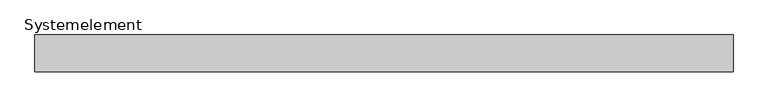
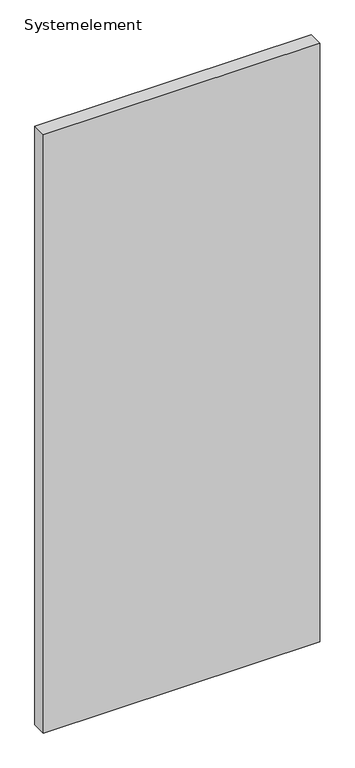
"""IFC4 building model written with IfcOpenShell, lengths in millimetres: plate geometry, Systemelement."""

from ifc_helpers import new_model, si_unit, origin, origin_with_axes, place, context, project, spatial, polyline, outline, extrude, source, transform, mapped, element, save


def systemelement_122b43b9(model_context):
    return source(origin(), model_context, "Body", "SweptSolid", [
        extrude(outline(polyline([(627.0, 0.0), (-627.0, 0.0), (-627.0, 66.0), (627.0, 66.0), (627.0, 0.0)])), origin_with_axes(), (0.0, 0.0, 1.0), 2870.0),
    ])


if __name__ == "__main__":
    model = new_model("IFC4")
    model_context = context("Model", 3, world=origin())
    ifc_project = project(units=[si_unit("LENGTHUNIT", "METRE", prefix="MILLI")], contexts=[model_context])
    site = spatial("IfcSite", under=ifc_project)
    building = spatial("IfcBuilding", under=site)
    placement = place(None, origin())
    systemelement_shape = systemelement_122b43b9(model_context)
    element("IfcPlate", 1, ObjectType="Systemelement", at=placement, inside=building, context=model_context, shape_type="MappedRepresentation", body=[
        mapped(systemelement_shape, transform((0.0, 0.0, 0.0), x_axis=(1.0, 0.0, 0.0), y_axis=(0.0, 1.0, 0.0), z_axis=(0.0, 0.0, 1.0))),
    ])
    save(model, "model.ifc")
